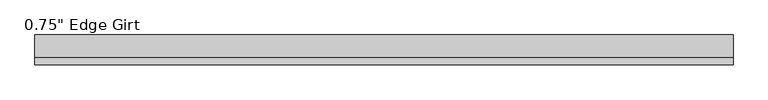
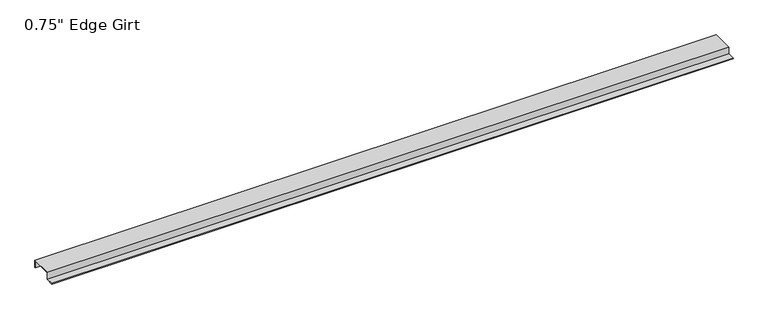
"""IFC4 building model written with IfcOpenShell, lengths in millimetres: proxy geometry."""

from ifc_helpers import new_model, si_unit, frame, origin, place, context, project, spatial, polyline, outline, extrude, source, transform, mapped, element, save


def proxy_f8d682d5(model_context):
    return source(origin(), model_context, "Body", "SweptSolid", [
        extrude(outline(polyline([(-46.0559645, -17.4375), (-46.0559645, -15.8242), (-27.0129, -15.8242), (-27.0129, 1.6129), (27.0129, 1.6129), (27.0129, -17.4375), (25.4, -17.4375), (25.4, 0.0), (-25.4, 0.0), (-25.4, -17.4375), (-46.0559645, -17.4375)])), frame((0.0, 0.0, 0.0), z_axis=(1.0, 0.0, 0.0), x_axis=(0.0, 1.0, 0.0)), (0.0, 0.0, 1.0), 1698.6255),
    ])


if __name__ == "__main__":
    model = new_model("IFC4")
    model_context = context("Model", 3, world=origin())
    ifc_project = project(units=[si_unit("LENGTHUNIT", "METRE", prefix="MILLI")], contexts=[model_context])
    site = spatial("IfcSite", under=ifc_project)
    building = spatial("IfcBuilding", under=site)
    placement = place(None, origin())
    proxy_shape = proxy_f8d682d5(model_context)
    element("IfcBuildingElementProxy", 1, Name="0.75\" Edge Girt", ObjectType="0.75\" Edge Girt", at=placement, inside=building, context=model_context, shape_type="MappedRepresentation", body=[
        mapped(proxy_shape, transform((0.0, 0.0, 0.0), x_axis=(1.0, 0.0, 0.0), y_axis=(0.0, 1.0, 0.0), z_axis=(0.0, 0.0, 1.0))),
    ])
    save(model, "model.ifc")
